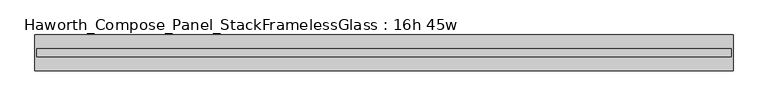
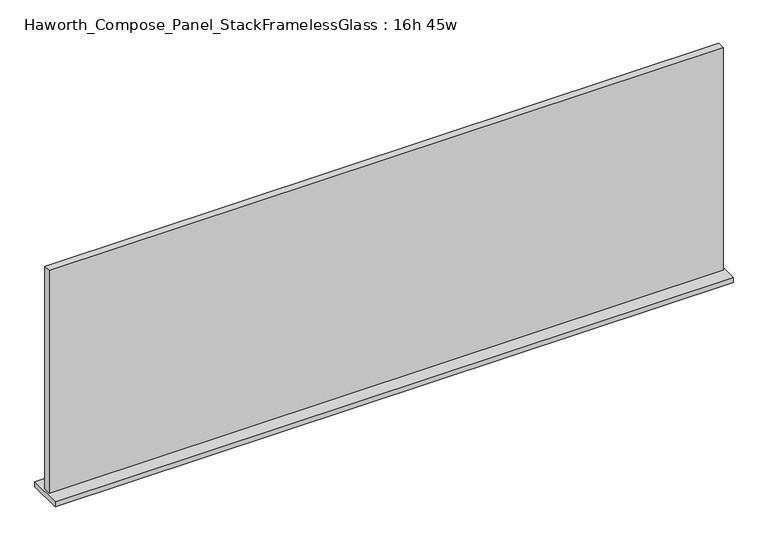
"""IFC4 building model written with IfcOpenShell, lengths in millimetres: furniture geometry, Haworth_Compose_Panel_StackFramelessGlass : 16h 45w."""

import ifcopenshell
import ifcopenshell.guid

model = None  # the IFC model being written
_history = None  # IfcOwnerHistory: only IFC2X3 demands one
_inside = {}  # id of a spatial element -> (the spatial element, [elements in it])
_under = {}  # id of a project, library or spatial element -> (it, [spatial elements below it])
_declared = {}  # id of a project -> (the project, [libraries it declares])
_typed = {}  # id of a type object -> (the type object, [elements of that type])
_made_of = {}  # id of a material, layer set ... -> (it, [elements and type objects made of it])


def new_model(schema):
    """Start an empty IFC model of exactly this schema.

    Asked for "IFC4X3", IfcOpenShell would pick the latest addendum, in which some entities
    have other attributes; the version numbers below select the first issue.
    IFC2X3 requires an IfcOwnerHistory on every rooted entity: one is made here for all.
    """
    global model, _history
    if schema == "IFC4X3":
        model = ifcopenshell.file(schema_version=(4, 3, 0, 0))
    else:
        model = ifcopenshell.file(schema=schema)
    _inside.clear()
    _under.clear()
    _declared.clear()
    _typed.clear()
    _made_of.clear()
    _history = None
    if model.schema == "IFC2X3":
        org = make("IfcOrganization", Name="unknown")
        user = make(
            "IfcPersonAndOrganization",
            ThePerson=make("IfcPerson", FamilyName="unknown"),
            TheOrganization=org,
        )
        app = make(
            "IfcApplication",
            ApplicationDeveloper=org,
            Version="unknown",
            ApplicationFullName="unknown",
            ApplicationIdentifier="unknown",
        )
        _history = make(
            "IfcOwnerHistory",
            OwningUser=user,
            OwningApplication=app,
            ChangeAction="ADDED",
            CreationDate=0,
        )
    return model


def make(cls, **values):
    """One entity of the class cls with the attributes given. An attribute that is None is left unset."""
    return model.create_entity(
        cls, **{name: value for name, value in values.items() if value is not None}
    )


def rooted(cls, **values):
    """An entity with a GlobalId (a new one), such as an element, a storey or a relation."""
    return make(cls, GlobalId=ifcopenshell.guid.new(), OwnerHistory=_history, **values)


def si_unit(unit_type, name, prefix=None):
    """IfcSIUnit, for example si_unit("LENGTHUNIT", "METRE", prefix="MILLI")."""
    return make("IfcSIUnit", UnitType=unit_type, Prefix=prefix, Name=name)


def assignment(units):
    """IfcUnitAssignment: the units of a project."""
    return None if units is None else make("IfcUnitAssignment", Units=units)


def point(xyz):
    """IfcCartesianPoint."""
    return None if xyz is None else make("IfcCartesianPoint", Coordinates=xyz)


def direction(xyz):
    """IfcDirection."""
    return None if xyz is None else make("IfcDirection", DirectionRatios=xyz)


def frame(location, z_axis=None, x_axis=None):
    """IfcAxis2Placement3D, a coordinate frame: its origin and axes. An axis left out is left unset."""
    return make(
        "IfcAxis2Placement3D",
        Location=point(location),
        Axis=direction(z_axis),
        RefDirection=direction(x_axis),
    )


def origin():
    """The frame at (0, 0, 0) with its axes left unset."""
    return frame((0.0, 0.0, 0.0))


def place(relative_to, where):
    """IfcLocalPlacement: puts the frame where relative to a parent placement (None: the world)."""
    return make(
        "IfcLocalPlacement", PlacementRelTo=relative_to, RelativePlacement=where
    )


def context(
    kind, dimensions, precision=None, world=None, true_north=None, identifier=None
):
    """IfcGeometricRepresentationContext, for example the 3D "Model" context."""
    return make(
        "IfcGeometricRepresentationContext",
        ContextIdentifier=identifier,
        ContextType=kind,
        CoordinateSpaceDimension=dimensions,
        Precision=precision,
        WorldCoordinateSystem=world,
        TrueNorth=true_north,
    )


def project(units=None, contexts=None):
    """IfcProject with its units and contexts."""
    return rooted(
        "IfcProject",
        Name="project",
        RepresentationContexts=contexts,
        UnitsInContext=assignment(units),
    )


def spatial(cls, under=None, at=None, **own):
    """A site, building, storey or space (cls), placed at a placement, below another one or the project."""
    s = rooted(cls, ObjectPlacement=at, **own)
    if under is not None:
        _under.setdefault(under.id(), (under, []))[1].append(s)
    return s


def polyline(points):
    """IfcPolyline through the points."""
    return make("IfcPolyline", Points=[point(p) for p in points])


def outline(outer, holes=None, kind="AREA"):
    """IfcArbitraryClosedProfileDef: a profile drawn as a closed curve; with holes, ...WithVoids."""
    if holes is None:
        return make("IfcArbitraryClosedProfileDef", ProfileType=kind, OuterCurve=outer)
    return make(
        "IfcArbitraryProfileDefWithVoids",
        ProfileType=kind,
        OuterCurve=outer,
        InnerCurves=holes,
    )


def extrude(swept, where, along, depth):
    """IfcExtrudedAreaSolid: the profile swept, set in the frame where, extruded along a direction by depth."""
    return make(
        "IfcExtrudedAreaSolid",
        SweptArea=swept,
        Position=where,
        ExtrudedDirection=direction(along),
        Depth=depth,
    )


def shape(context_of_items, identifier, shape_type, items):
    """IfcShapeRepresentation: the items that make up one representation, for example the "Body"."""
    return make(
        "IfcShapeRepresentation",
        ContextOfItems=context_of_items,
        RepresentationIdentifier=identifier,
        RepresentationType=shape_type,
        Items=items,
    )


def source(mapping_origin, context_of_items, identifier, shape_type, items):
    """IfcRepresentationMap: a shape defined once, which mapped items show again and again."""
    return make(
        "IfcRepresentationMap",
        MappingOrigin=mapping_origin,
        MappedRepresentation=shape(context_of_items, identifier, shape_type, items),
    )


def transform(
    local_origin,
    x_axis=None,
    y_axis=None,
    z_axis=None,
    scale=None,
    scale2=None,
    scale3=None,
    uniform=True,
):
    """IfcCartesianTransformationOperator3D, or its non-uniform kind. x_axis, y_axis, z_axis: its Axis1, 2, 3."""
    if uniform:
        return make(
            "IfcCartesianTransformationOperator3D",
            Axis1=direction(x_axis),
            Axis2=direction(y_axis),
            LocalOrigin=point(local_origin),
            Scale=scale,
            Axis3=direction(z_axis),
        )
    return make(
        "IfcCartesianTransformationOperator3DnonUniform",
        Axis1=direction(x_axis),
        Axis2=direction(y_axis),
        LocalOrigin=point(local_origin),
        Scale=scale,
        Axis3=direction(z_axis),
        Scale2=scale2,
        Scale3=scale3,
    )


def mapped(mapping_source, mapping_target):
    """IfcMappedItem: shows the shape of a source again, moved by a transform."""
    return make(
        "IfcMappedItem", MappingSource=mapping_source, MappingTarget=mapping_target
    )


def made_of(thing, what):
    """Note that an element or type object is made of a material, layer set ...; save() writes the relation."""
    if what is not None:
        _made_of.setdefault(what.id(), (what, []))[1].append(thing)
    return thing


def element(
    cls,
    number,
    at=None,
    inside=None,
    cuts=None,
    type_object=None,
    material=None,
    context=None,
    identifier="Body",
    shape_type=None,
    held_by="IfcProductDefinitionShape",
    body=None,
    shapes=None,
    **own,
):
    """One element of the class cls, such as IfcWall. Its Tag is "e" and its number.

    at: its placement. inside: the storey or other place that contains it. cuts: it is an
    opening in that element (IfcRelVoidsElement). A single representation is given by context,
    identifier, shape_type and body (its items); several are given by shapes. held_by: the class
    of the entity that holds the representations. save() writes the other relations.
    """
    e = rooted(cls, Tag="e%d" % number, ObjectPlacement=at, **own)
    if body is not None:
        shapes = [shape(context, identifier, shape_type, body)]
    if shapes is not None:
        e.Representation = make(held_by, Representations=shapes)
    if inside is not None:
        _inside.setdefault(inside.id(), (inside, []))[1].append(e)
    if cuts is not None:
        rooted(
            "IfcRelVoidsElement", RelatingBuildingElement=cuts, RelatedOpeningElement=e
        )
    if type_object is not None:
        _typed.setdefault(type_object.id(), (type_object, []))[1].append(e)
    return made_of(e, material)


def aggregate(whole, parts):
    """IfcRelAggregates: a whole, such as a stair, and the parts it consists of."""
    return rooted("IfcRelAggregates", RelatingObject=whole, RelatedObjects=parts)


def save(model, path):
    """Write the relations noted so far, then the file.

    IfcRelAggregates (storeys below a building ...), IfcRelContainedInSpatialStructure (elements
    in a storey), IfcRelDefinesByType, IfcRelAssociatesMaterial and IfcRelDeclares: one each for
    every whole, place, type object, material and project.
    """
    for whole, parts in _under.values():
        aggregate(whole, parts)
    for where, things in _inside.values():
        rooted(
            "IfcRelContainedInSpatialStructure",
            RelatedElements=things,
            RelatingStructure=where,
        )
    for kind, things in _typed.values():
        rooted("IfcRelDefinesByType", RelatedObjects=things, RelatingType=kind)
    for what, things in _made_of.values():
        rooted("IfcRelAssociatesMaterial", RelatedObjects=things, RelatingMaterial=what)
    for by, libraries in _declared.values():
        rooted("IfcRelDeclares", RelatingContext=by, RelatedDefinitions=libraries)
    model.write(path)


def haworth_compose_panel_stackframelessglass_16h_45w_740c12bb(model_context):
    return source(origin(), model_context, "Body", "SweptSolid", [
        extrude(outline(polyline([(570.7652902, -27.3093594), (-565.8847098, -27.3093594), (-565.8847098, -14.6093594), (570.7652902, -14.6093594), (570.7652902, -27.3093594)])), frame((0.0, 0.0, 1279.525), z_axis=(0.0, 0.0, 1.0), x_axis=(1.0, 0.0, 0.0)), (0.0, 0.0, 1.0), 396.875),
        extrude(outline(polyline([(-569.0597098, -50.3281094), (-569.0597098, 8.4093906), (573.9402902, 8.4093906), (573.9402902, -50.3281094), (-569.0597098, -50.3281094)])), frame((0.0, 0.0, 1270.0), z_axis=(0.0, 0.0, 1.0), x_axis=(1.0, 0.0, 0.0)), (0.0, 0.0, 1.0), 9.525),
    ])


if __name__ == "__main__":
    model = new_model("IFC4")
    model_context = context("Model", 3, world=origin())
    ifc_project = project(units=[si_unit("LENGTHUNIT", "METRE", prefix="MILLI")], contexts=[model_context])
    site = spatial("IfcSite", under=ifc_project)
    building = spatial("IfcBuilding", under=site)
    placement = place(None, origin())
    haworth_compose_panel_stackframelessglass_16h_45w_shape = haworth_compose_panel_stackframelessglass_16h_45w_740c12bb(model_context)
    element("IfcFurniture", 1, ObjectType="Haworth_Compose_Panel_StackFramelessGlass : 16h 45w", at=placement, inside=building, context=model_context, shape_type="MappedRepresentation", body=[
        mapped(haworth_compose_panel_stackframelessglass_16h_45w_shape, transform((0.0, 0.0, 0.0), x_axis=(1.0, 0.0, 0.0), y_axis=(0.0, 1.0, 0.0), z_axis=(0.0, 0.0, 1.0))),
    ])
    save(model, "model.ifc")
